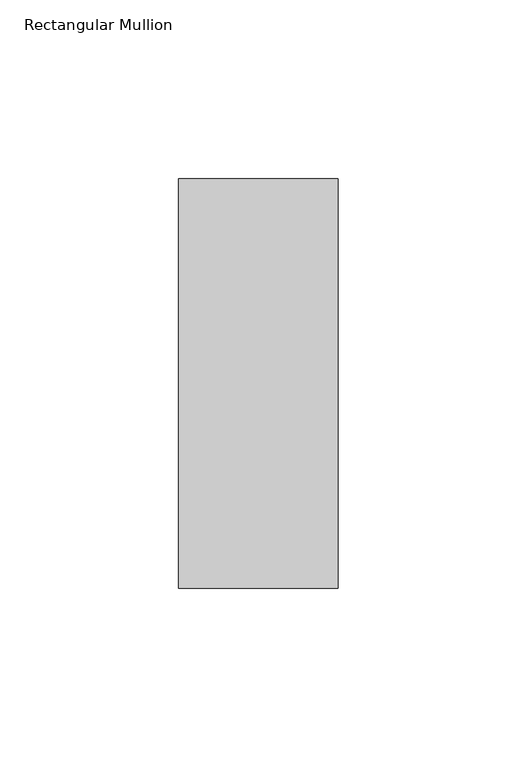
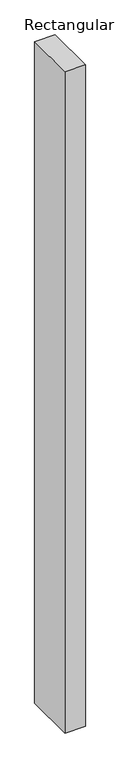
"""IFC4 building model written with IfcOpenShell, lengths in millimetres: member geometry, Rectangular Mullion."""

from ifc_helpers import new_model, si_unit, frame, origin, place, context, project, spatial, polyline, outline, extrude, source, transform, mapped, element, save


def rectangular_mullion_13c98b99(model_context):
    return source(origin(), model_context, "Body", "SweptSolid", [
        extrude(outline(polyline([(-44.45, 56.3844454), (0.0, 56.3844454), (0.0, -57.9084454), (-44.45, -57.9084454), (-44.45, 56.3844454)])), frame((0.0, 0.0, -1524.0), z_axis=(0.0, 0.0, 1.0), x_axis=(1.0, 0.0, 0.0)), (0.0, 0.0, 1.0), 1524.0),
    ])


if __name__ == "__main__":
    model = new_model("IFC4")
    model_context = context("Model", 3, world=origin())
    ifc_project = project(units=[si_unit("LENGTHUNIT", "METRE", prefix="MILLI")], contexts=[model_context])
    site = spatial("IfcSite", under=ifc_project)
    building = spatial("IfcBuilding", under=site)
    placement = place(None, origin())
    rectangular_mullion_shape = rectangular_mullion_13c98b99(model_context)
    element("IfcMember", 1, ObjectType="Rectangular Mullion", at=placement, inside=building, context=model_context, shape_type="MappedRepresentation", body=[
        mapped(rectangular_mullion_shape, transform((0.0, 0.0, 0.0), x_axis=(1.0, 0.0, 0.0), y_axis=(0.0, 1.0, 0.0), z_axis=(0.0, 0.0, 1.0))),
    ])
    save(model, "model.ifc")
